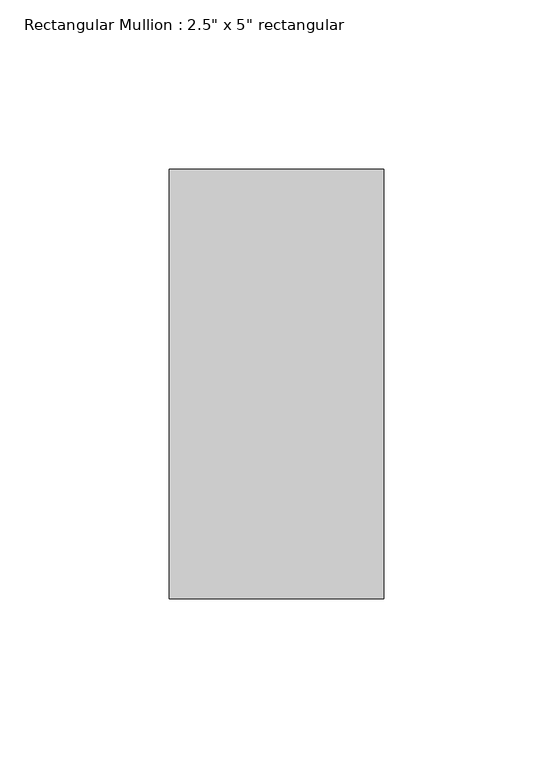
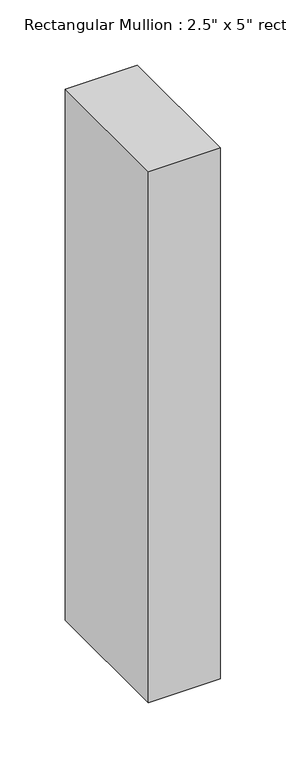
"""IFC4 building model written with IfcOpenShell, lengths in millimetres: member geometry."""

from ifc_helpers import new_model, si_unit, frame, origin, place, context, project, spatial, polyline, outline, extrude, source, transform, mapped, element, save


def member_9ab3e039(model_context):
    return source(origin(), model_context, "Body", "SweptSolid", [
        extrude(outline(polyline([(31.75, 63.5), (31.75, -63.5), (-31.75, -63.5), (-31.75, 63.5), (31.75, 63.5)])), frame((0.0, 0.0, -495.3), z_axis=(0.0, 0.0, 1.0), x_axis=(1.0, 0.0, 0.0)), (0.0, 0.0, 1.0), 495.3),
    ])


if __name__ == "__main__":
    model = new_model("IFC4")
    model_context = context("Model", 3, world=origin())
    ifc_project = project(units=[si_unit("LENGTHUNIT", "METRE", prefix="MILLI")], contexts=[model_context])
    site = spatial("IfcSite", under=ifc_project)
    building = spatial("IfcBuilding", under=site)
    placement = place(None, origin())
    member_shape = member_9ab3e039(model_context)
    element("IfcMember", 1, ObjectType="Rectangular Mullion : 2.5\" x 5\" rectangular", at=placement, inside=building, context=model_context, shape_type="MappedRepresentation", body=[
        mapped(member_shape, transform((0.0, 0.0, 0.0), x_axis=(1.0, 0.0, 0.0), y_axis=(0.0, 1.0, 0.0), z_axis=(0.0, 0.0, 1.0))),
    ])
    save(model, "model.ifc")
